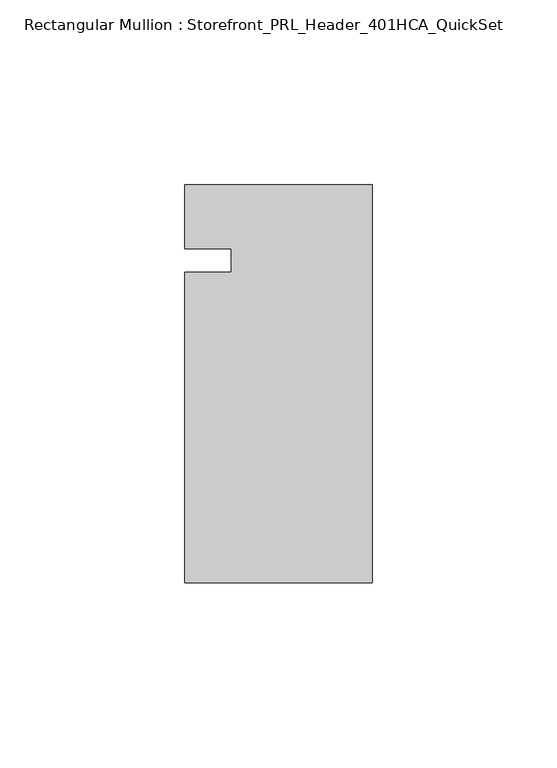
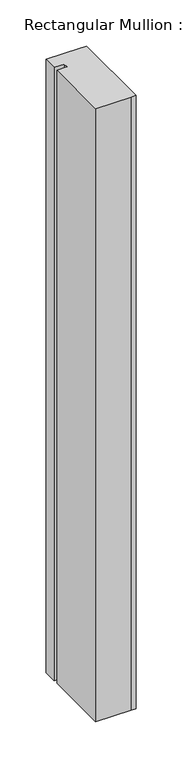
"""IFC4 building model written with IfcOpenShell, lengths in millimetres: member geometry, Rectangular Mullion : Storefront_PRL_Header_401HCA_QuickSet."""

from ifc_helpers import new_model, si_unit, frame, origin, place, context, project, spatial, polyline, outline, extrude, source, transform, mapped, element, save


def rectangular_mullion_storefront_prl_header_401hca_quickset_7647abe9(model_context):
    return source(origin(), model_context, "Body", "SweptSolid", [
        extrude(outline(polyline([(-38.1, -3.175), (-38.1, 3.175), (-50.8, 3.175), (-50.8, 20.6375), (-7.7254924, 20.6375), (0.0, 20.6375), (0.0, -87.3125), (-6.35, -87.3125), (-50.8, -87.3125), (-50.8, -3.175), (-38.1, -3.175)])), frame((0.0, 0.0, -812.8), z_axis=(0.0, 0.0, 1.0), x_axis=(1.0, 0.0, 0.0)), (0.0, 0.0, 1.0), 812.8),
    ])


if __name__ == "__main__":
    model = new_model("IFC4")
    model_context = context("Model", 3, world=origin())
    ifc_project = project(units=[si_unit("LENGTHUNIT", "METRE", prefix="MILLI")], contexts=[model_context])
    site = spatial("IfcSite", under=ifc_project)
    building = spatial("IfcBuilding", under=site)
    placement = place(None, origin())
    rectangular_mullion_storefront_prl_header_401hca_quickset_shape = rectangular_mullion_storefront_prl_header_401hca_quickset_7647abe9(model_context)
    element("IfcMember", 1, ObjectType="Rectangular Mullion : Storefront_PRL_Header_401HCA_QuickSet", at=placement, inside=building, context=model_context, shape_type="MappedRepresentation", body=[
        mapped(rectangular_mullion_storefront_prl_header_401hca_quickset_shape, transform((0.0, 0.0, 0.0), x_axis=(1.0, 0.0, 0.0), y_axis=(0.0, 1.0, 0.0), z_axis=(0.0, 0.0, 1.0))),
    ])
    save(model, "model.ifc")
